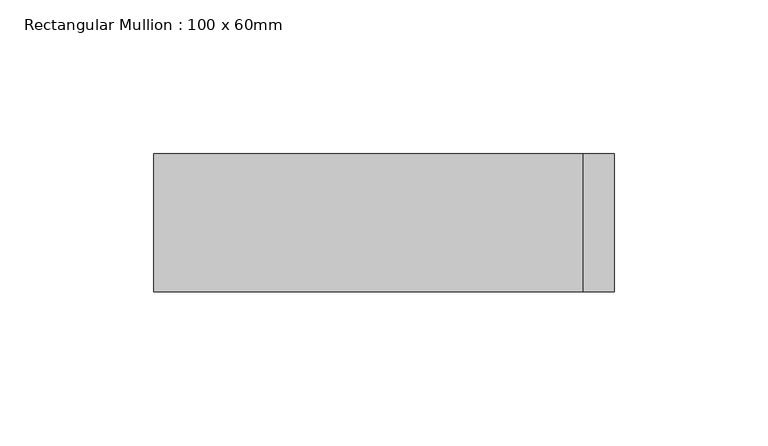
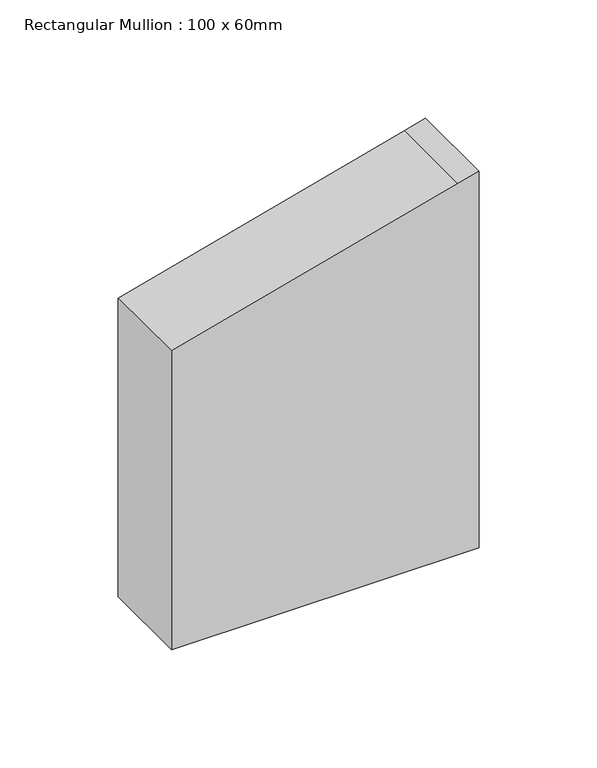
"""IFC4 building model written with IfcOpenShell, lengths in millimetres: member geometry, Rectangular Mullion : 100 x 60mm."""

from ifc_helpers import new_model, si_unit, frame, origin, place, context, project, spatial, polyline, outline, extrude, source, transform, mapped, element, save


def rectangular_mullion_100_x_60mm_04d12ceb(model_context):
    return source(origin(), model_context, "Body", "SweptSolid", [
        extrude(outline(polyline([(-238.7228557, 75.0), (-241.4814566, 64.7047613), (-278.9152345, -75.0), (-432.986362, -75.0), (-432.986362, 75.0), (-238.7228557, 75.0)])), frame((0.0, -15.0, 0.0), z_axis=(0.0, 1.0, 0.0), x_axis=(0.0, 0.0, 1.0)), (0.0, 0.0, 1.0), 45.0),
    ])


if __name__ == "__main__":
    model = new_model("IFC4")
    model_context = context("Model", 3, world=origin())
    ifc_project = project(units=[si_unit("LENGTHUNIT", "METRE", prefix="MILLI")], contexts=[model_context])
    site = spatial("IfcSite", under=ifc_project)
    building = spatial("IfcBuilding", under=site)
    placement = place(None, origin())
    rectangular_mullion_100_x_60mm_shape = rectangular_mullion_100_x_60mm_04d12ceb(model_context)
    element("IfcMember", 1, ObjectType="Rectangular Mullion : 100 x 60mm", at=placement, inside=building, context=model_context, shape_type="MappedRepresentation", body=[
        mapped(rectangular_mullion_100_x_60mm_shape, transform((0.0, 0.0, 0.0), x_axis=(1.0, 0.0, 0.0), y_axis=(0.0, 1.0, 0.0), z_axis=(0.0, 0.0, 1.0))),
    ])
    save(model, "model.ifc")
